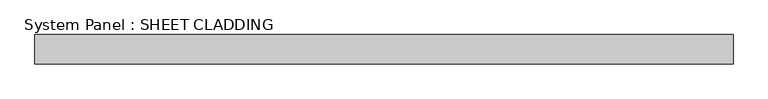
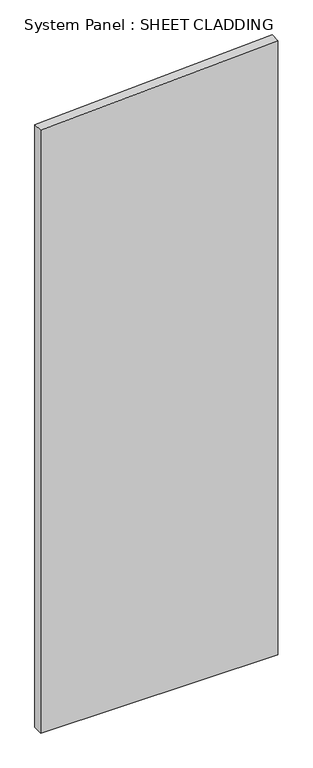
"""IFC4 building model written with IfcOpenShell, lengths in millimetres: plate geometry, System Panel : SHEET CLADDING."""

from ifc_helpers import new_model, si_unit, frame, origin, place, context, project, spatial, polyline, outline, extrude, source, transform, mapped, element, save


def system_panel_sheet_cladding_44dbc63a(model_context):
    return source(origin(), model_context, "Body", "SweptSolid", [
        extrude(outline(polyline([(0.0, -718.75), (0.0, 718.75), (3935.1, 718.75), (3863.225, -718.75), (0.0, -718.75)])), frame((0.0, -49.5, 0.0), z_axis=(0.0, 1.0, 0.0), x_axis=(0.0, 0.0, 1.0)), (0.0, 0.0, 1.0), 60.0),
    ])


if __name__ == "__main__":
    model = new_model("IFC4")
    model_context = context("Model", 3, world=origin())
    ifc_project = project(units=[si_unit("LENGTHUNIT", "METRE", prefix="MILLI")], contexts=[model_context])
    site = spatial("IfcSite", under=ifc_project)
    building = spatial("IfcBuilding", under=site)
    placement = place(None, origin())
    system_panel_sheet_cladding_shape = system_panel_sheet_cladding_44dbc63a(model_context)
    element("IfcPlate", 1, ObjectType="System Panel : SHEET CLADDING", at=placement, inside=building, context=model_context, shape_type="MappedRepresentation", body=[
        mapped(system_panel_sheet_cladding_shape, transform((0.0, 0.0, 0.0), x_axis=(1.0, 0.0, 0.0), y_axis=(0.0, 1.0, 0.0), z_axis=(0.0, 0.0, 1.0))),
    ])
    save(model, "model.ifc")
